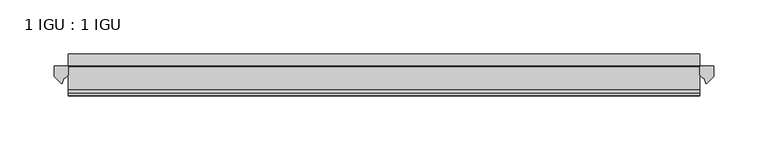
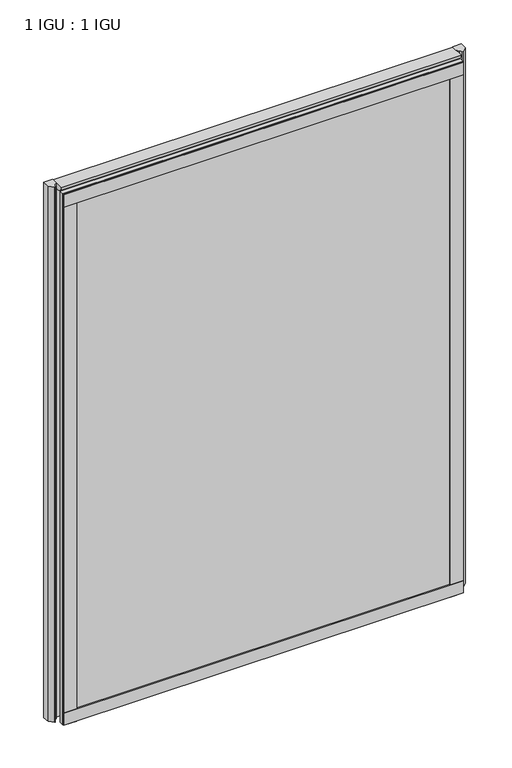
"""IFC4 building model written with IfcOpenShell, lengths in millimetres: plate geometry, 1 IGU : 1 IGU."""

from ifc_helpers import new_model, si_unit, point, frame, frame_2d, origin, place, context, project, spatial, polyline, circle_curve, ellipse_curve, trimmed, segment, composite_curve, outline, extrude, source, transform, mapped, element, save
from ifc_brep_helpers import plane_surface, cylinder_surface, revolved_surface, extruded_surface, advanced_brep


def plate_1_igu_1_igu_0b72bce1(model_context):
    return source(origin(), model_context, "Body", "SolidModel", [
        extrude(outline(polyline([(292.1, -11.6085937), (292.1, -18.8576359), (-292.1, -18.8576359), (-292.1, -11.6085937), (292.1, -11.6085937)])), frame((0.0, 0.0, -19.05), z_axis=(0.0, 0.0, 1.0), x_axis=(1.0, 0.0, 0.0)), (0.0, 0.0, 1.0), 819.1500001),
        extrude(outline(polyline([(-292.1, -30.7093937), (292.1, -30.7093937), (292.1, -37.0085937), (-292.1, -37.0085937), (-292.1, -30.7093937)])), frame((0.0, 0.0, -19.05), z_axis=(0.0, 0.0, 1.0), x_axis=(1.0, 0.0, 0.0)), (0.0, 0.0, 1.0), 819.1500001),
        extrude(outline(composite_curve([segment(polyline([(305.1779091, -11.6101465), (304.8, -21.3502133), (298.8619467, -27.6095865)]), True, "CONTINUOUS"), segment(trimmed(circle_curve(frame_2d((298.1891407, -27.2518492)), 0.762), [point((298.8619467, -27.6095865))], [point((297.4604364, -27.4746364))], False, "CARTESIAN"), True, "CONTINUOUS"), segment(polyline([(297.4604364, -27.4746364), (296.1986019, -23.3488397)]), True, "CONTINUOUS"), segment(trimmed(circle_curve(frame_2d((298.380559, -16.3834724)), 7.2991286), [point((296.1986019, -23.3488397))], [point((292.1001786, -20.1028944))], False, "CARTESIAN"), True, "CONTINUOUS"), segment(polyline([(292.1001786, -20.1028944), (292.1001786, -12.664425)]), True, "CONTINUOUS"), segment(trimmed(circle_curve(frame_2d((298.3814331, -16.3827796)), 7.2993369), [point((292.1001786, -12.664425))], [point((292.858545, -11.6101465))], False, "CARTESIAN"), True, "CONTINUOUS"), segment(polyline([(292.858545, -11.6101465), (305.1779091, -11.6101465)]), True, "CONTINUOUS")], self_intersect=False)), frame((0.0, 0.0, -19.05), z_axis=(0.0, 0.0, 1.0), x_axis=(1.0, 0.0, 0.0)), (0.0, 0.0, 1.0), 826.2874001),
        extrude(outline(composite_curve([segment(polyline([(-292.1, -11.610702), (-292.1, -20.1014769)]), True, "CONTINUOUS"), segment(trimmed(circle_curve(frame_2d((-298.3811943, -16.3829847)), 7.2993552), [point((-292.1, -20.1014769))], [point((-296.1989498, -23.3484994))], False, "CARTESIAN"), True, "CONTINUOUS"), segment(polyline([(-296.1989498, -23.3484994), (-297.4604364, -27.4746364)]), True, "CONTINUOUS"), segment(trimmed(circle_curve(frame_2d((-298.1891407, -27.2518492)), 0.762), [point((-297.4604364, -27.4746364))], [point((-298.8619467, -27.6095865))], False, "CARTESIAN"), True, "CONTINUOUS"), segment(polyline([(-298.8619467, -27.6095865), (-304.8, -21.3502133), (-305.1779091, -11.610702), (-292.1, -11.610702)]), True, "CONTINUOUS")], self_intersect=False)), frame((0.0, 0.0, -19.05), z_axis=(0.0, 0.0, 1.0), x_axis=(1.0, 0.0, 0.0)), (0.0, 0.0, 1.0), 826.2874001),
        extrude(outline(polyline([(-11.6085937, -15.24), (-11.6085937, 2.8161565), (-0.5298609, 1.2591422), (-0.5298609, -0.6645794), (-5.258589, 0.0), (-5.258589, -4.826), (-1.575589, -4.826), (-1.575589, -7.874), (-5.258589, -7.874), (-5.258589, -13.208), (-3.099589, -13.208), (-3.099589, -15.24), (-11.6085937, -15.24)])), frame((-292.1, 0.0, 0.0), z_axis=(1.0, 0.0, 0.0), x_axis=(0.0, 1.0, 0.0)), (0.0, 0.0, 1.0), 584.2),
        extrude(outline(polyline([(-292.1, -39.2945937), (-292.1, -37.0085937), (292.1, -37.0085937), (292.1, -39.2945937), (-292.1, -39.2945937)])), frame((0.0, 0.0, -19.05), z_axis=(0.0, 0.0, 1.0), x_axis=(1.0, 0.0, 0.0)), (0.0, 0.0, 1.0), 19.05),
        advanced_brep(
        [(-292.1, -24.3085937, 798.9276629), (-292.1, -33.4116395, 807.2374001), (-292.1, -12.7165288, 807.2374001), (-292.1, -11.6085937, 800.1000001), (-292.1, -17.9077937, 800.1000001), (292.1, -24.3085937, 798.9276629), (292.1, -17.9077937, 800.1000001), (292.1, -11.6085937, 800.1000001), (292.1, -12.7165288, 807.2374001), (292.1, -33.4116395, 807.2374001)],
        [
            (0, 1, ellipse_curve(frame((-292.1, -24.3085937, 809.6250001), z_axis=(-1.0, 0.0, 0.0), x_axis=(0.0, 0.0, -1.0)), 10.6973372, 9.3386252)),
            (1, 2),
            (2, 3, circle_curve(frame((-292.1, 26.2083666, 809.6250001), z_axis=(1.0, 0.0, 0.0), x_axis=(0.0, 0.0, -1.0)), 38.9980527)),
            (3, 4),
            (4, 0, circle_curve(frame((-292.1, -24.3085937, 816.9875764), z_axis=(-1.0, 0.0, 0.0), x_axis=(0.0, 0.0, -1.0)), 18.0599135)),
            (5, 6, circle_curve(frame((292.1, -24.3085937, 816.9875764), z_axis=(1.0, 0.0, 0.0), x_axis=(0.0, 0.0, -1.0)), 18.0599135)),
            (6, 7),
            (7, 8, circle_curve(frame((292.1, 26.2083666, 809.6250001), z_axis=(-1.0, 0.0, 0.0), x_axis=(0.0, 0.0, -1.0)), 38.9980527)),
            (8, 9),
            (9, 5, ellipse_curve(frame((292.1, -24.3085937, 809.6250001), z_axis=(1.0, 0.0, 0.0), x_axis=(0.0, 0.0, -1.0)), 10.6973372, 9.3386252)),
            (0, 5),
            (9, 1),
            (8, 2),
            (7, 3),
            (6, 4),
        ],
        [
            plane_surface(frame((-292.1, -9.2273437, 809.6250001), z_axis=(-1.0, 0.0, 0.0), x_axis=(0.0, 1.0, 0.0))),
            plane_surface(frame((292.1, -9.2273438, 809.6250001), z_axis=(1.0, 0.0, 0.0), x_axis=(0.0, 1.0, 0.0))),
            extruded_surface(trimmed(ellipse_curve(frame((292.1, -24.3085937, 809.6250001), z_axis=(-1.0, 0.0, 0.0), x_axis=(0.0, 0.0, -1.0)), 10.6973372, 9.3386252), [point((292.1, -24.3085937, 798.9276629))], [point((292.1, -33.4116395, 807.2374001))], True, "CARTESIAN"), (-584.2, 0.0, 0.0), 584.2),
            plane_surface(frame((-292.1, -33.4116395, 807.2374001), z_axis=(0.0, 0.0, 1.0), x_axis=(1.0, 0.0, 0.0))),
            revolved_surface(polyline([(292.1, 26.2083666, 770.6269474), (-292.1, 26.2083666, 770.6269474)]), (-292.1, 26.2083666, 809.6250001), (1.0, 0.0, 0.0)),
            plane_surface(frame((-292.1, -11.6085937, 800.1000001), z_axis=(0.0, 0.0, -1.0), x_axis=(1.0, 0.0, 0.0))),
            cylinder_surface(frame((-292.1, -24.3085937, 816.9875764), z_axis=(-1.0, 0.0, 0.0), x_axis=(0.0, 0.0, -1.0)), 18.0599135),
        ],
        [
            (0, [[1, 2, 3, 4, 5]]),
            (1, [[6, 7, 8, 9, 10]]),
            (2, [[-1, 11, -10, 12]]),
            (3, [[-2, -12, -9, 13]]),
            (4, [[-3, -13, -8, 14]]),
            (5, [[-4, -14, -7, 15]]),
            (6, [[-5, -15, -6, -11]]),
        ],
    ),
        extrude(outline(polyline([(-292.1, -39.2945937), (-292.1, -37.0085937), (292.1, -37.0085937), (292.1, -39.2945937), (-292.1, -39.2945937)])), frame((0.0, 0.0, 781.0500001), z_axis=(0.0, 0.0, 1.0), x_axis=(1.0, 0.0, 0.0)), (0.0, 0.0, 1.0), 19.05),
        extrude(outline(polyline([(273.05, -37.0085937), (292.1, -37.0085937), (292.1, -39.2945938), (273.05, -39.2945938), (273.05, -37.0085937)])), frame((0.0, 0.0, -19.05), z_axis=(0.0, 0.0, 1.0), x_axis=(1.0, 0.0, 0.0)), (0.0, 0.0, 1.0), 819.1500001),
        extrude(outline(polyline([(-292.1, -39.2945937), (-292.1, -37.0085937), (-273.05, -37.0085937), (-273.05, -39.2945937), (-292.1, -39.2945937)])), frame((0.0, 0.0, -19.05), z_axis=(0.0, 0.0, 1.0), x_axis=(1.0, 0.0, 0.0)), (0.0, 0.0, 1.0), 819.1500001),
    ])


if __name__ == "__main__":
    model = new_model("IFC4")
    model_context = context("Model", 3, world=origin())
    ifc_project = project(units=[si_unit("LENGTHUNIT", "METRE", prefix="MILLI")], contexts=[model_context])
    site = spatial("IfcSite", under=ifc_project)
    building = spatial("IfcBuilding", under=site)
    placement = place(None, origin())
    plate_1_igu_1_igu_shape = plate_1_igu_1_igu_0b72bce1(model_context)
    element("IfcPlate", 1, ObjectType="1 IGU : 1 IGU", at=placement, inside=building, context=model_context, shape_type="MappedRepresentation", body=[
        mapped(plate_1_igu_1_igu_shape, transform((0.0, 0.0, 0.0), x_axis=(1.0, 0.0, 0.0), y_axis=(0.0, 1.0, 0.0), z_axis=(0.0, 0.0, 1.0))),
    ])
    save(model, "model.ifc")
